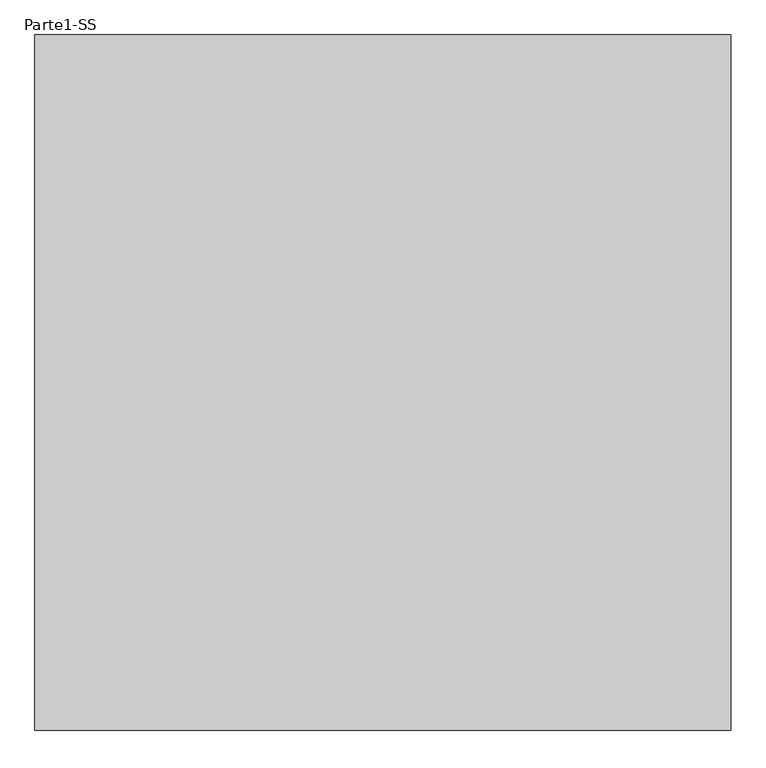
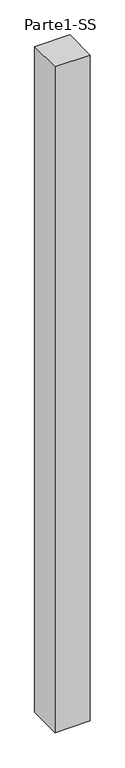
"""IFC4 building model written with IfcOpenShell, lengths in millimetres: proxy geometry, Parte1-SS."""

from ifc_helpers import new_model, si_unit, frame, origin, place, context, project, spatial, polyline, outline, extrude, source, transform, mapped, element, save


def parte1_ss_3fc86b1d(model_context):
    return source(origin(), model_context, "Body", "SweptSolid", [
        extrude(outline(polyline([(4000.0, 4000.0), (4000.0, 0.0), (0.0, 0.0), (0.0, 4000.0), (4000.0, 4000.0)])), frame((0.0, 0.0, 10000.0), z_axis=(0.0, 0.0, 1.0), x_axis=(1.0, 0.0, 0.0)), (0.0, 0.0, 1.0), 80000.0),
    ])


if __name__ == "__main__":
    model = new_model("IFC4")
    model_context = context("Model", 3, world=origin())
    ifc_project = project(units=[si_unit("LENGTHUNIT", "METRE", prefix="MILLI")], contexts=[model_context])
    site = spatial("IfcSite", under=ifc_project)
    building = spatial("IfcBuilding", under=site)
    placement = place(None, origin())
    parte1_ss_shape = parte1_ss_3fc86b1d(model_context)
    element("IfcBuildingElementProxy", 1, Name="Parte1-SS", ObjectType="Parte1-SS", at=placement, inside=building, context=model_context, shape_type="MappedRepresentation", body=[
        mapped(parte1_ss_shape, transform((0.0, 0.0, 0.0), x_axis=(1.0, 0.0, 0.0), y_axis=(0.0, 1.0, 0.0), z_axis=(0.0, 0.0, 1.0))),
    ])
    save(model, "model.ifc")
